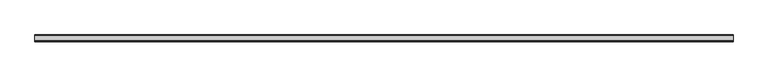
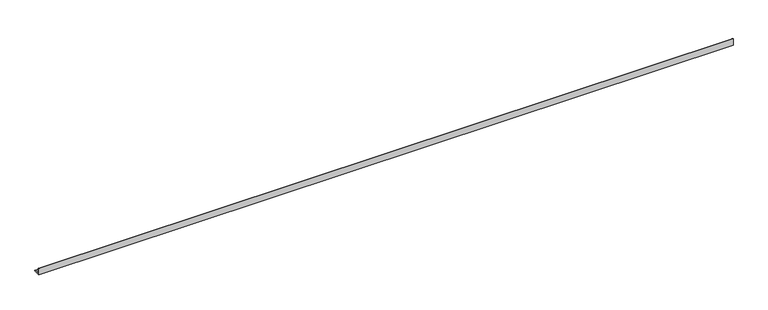
"""IFC4 building model written with IfcOpenShell, lengths in millimetres: beam geometry."""

from ifc_helpers import new_model, si_unit, point, frame, frame_2d, origin, place, context, project, spatial, polyline, circle_curve, trimmed, segment, composite_curve, outline, extrude, source, transform, mapped, element, save


def beam_097e06d1(model_context):
    return source(origin(), model_context, "Body", "SweptSolid", [
        extrude(outline(composite_curve([segment(polyline([(-21.3, -21.3), (-21.3, 53.7), (-18.3, 53.7)]), True, "CONTINUOUS"), segment(trimmed(circle_curve(frame_2d((-18.3, 48.7)), 5.0), [point((-18.3, 53.7))], [point((-13.3, 48.7))], False, "CARTESIAN"), True, "CONTINUOUS"), segment(polyline([(-13.3, 48.7), (-13.3, -5.3)]), True, "CONTINUOUS"), segment(trimmed(circle_curve(frame_2d((-5.3, -5.3)), 8.0), [point((-13.3, -5.3))], [point((-5.3, -13.3))], True, "CARTESIAN"), True, "CONTINUOUS"), segment(polyline([(-5.3, -13.3), (48.7, -13.3)]), True, "CONTINUOUS"), segment(trimmed(circle_curve(frame_2d((48.7, -18.3)), 5.0), [point((48.7, -13.3))], [point((53.7, -18.3))], False, "CARTESIAN"), True, "CONTINUOUS"), segment(polyline([(53.7, -18.3), (53.7, -21.3), (-21.3, -21.3)]), True, "CONTINUOUS")], self_intersect=False)), frame((-3834.5, 0.0, 0.0), z_axis=(1.0, 0.0, 0.0), x_axis=(0.0, 1.0, 0.0)), (0.0, 0.0, 1.0), 7534.0),
    ])


if __name__ == "__main__":
    model = new_model("IFC4")
    model_context = context("Model", 3, world=origin())
    ifc_project = project(units=[si_unit("LENGTHUNIT", "METRE", prefix="MILLI")], contexts=[model_context])
    site = spatial("IfcSite", under=ifc_project)
    building = spatial("IfcBuilding", under=site)
    placement = place(None, origin())
    beam_shape = beam_097e06d1(model_context)
    element("IfcBeam", 1, at=placement, inside=building, context=model_context, shape_type="MappedRepresentation", body=[
        mapped(beam_shape, transform((0.0, 0.0, 0.0), x_axis=(1.0, 0.0, 0.0), y_axis=(0.0, 1.0, 0.0), z_axis=(0.0, 0.0, 1.0))),
    ])
    save(model, "model.ifc")
